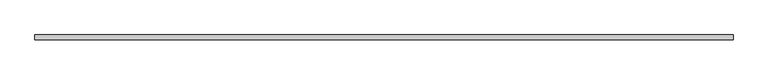
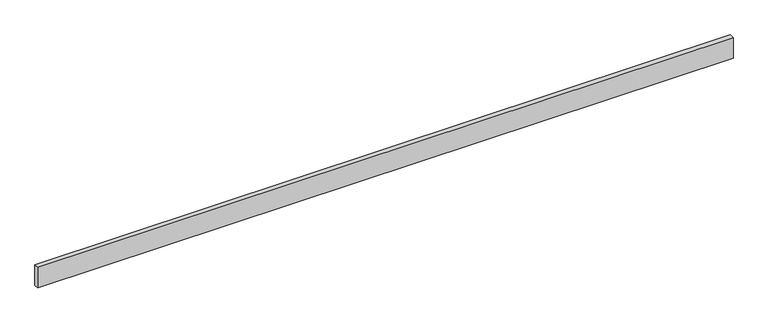
"""IFC4 building model written with IfcOpenShell, lengths in millimetres: beam geometry."""

from ifc_helpers import new_model, si_unit, frame, origin, place, context, project, spatial, polyline, outline, extrude, source, transform, mapped, element, save


def beam_e87455b3(model_context):
    return source(origin(), model_context, "Body", "SweptSolid", [
        extrude(outline(polyline([(-3229.0, 22.5), (3229.0, 22.5), (3229.0, -22.5), (-3229.0, -22.5), (-3229.0, 22.5)])), frame((0.0, 0.0, -100.0), z_axis=(0.0, 0.0, 1.0), x_axis=(1.0, 0.0, 0.0)), (0.0, 0.0, 1.0), 200.0),
    ])


if __name__ == "__main__":
    model = new_model("IFC4")
    model_context = context("Model", 3, world=origin())
    ifc_project = project(units=[si_unit("LENGTHUNIT", "METRE", prefix="MILLI")], contexts=[model_context])
    site = spatial("IfcSite", under=ifc_project)
    building = spatial("IfcBuilding", under=site)
    placement = place(None, origin())
    beam_shape = beam_e87455b3(model_context)
    element("IfcBeam", 1, at=placement, inside=building, context=model_context, shape_type="MappedRepresentation", body=[
        mapped(beam_shape, transform((0.0, 0.0, 0.0), x_axis=(1.0, 0.0, 0.0), y_axis=(0.0, 1.0, 0.0), z_axis=(0.0, 0.0, 1.0))),
    ])
    save(model, "model.ifc")
